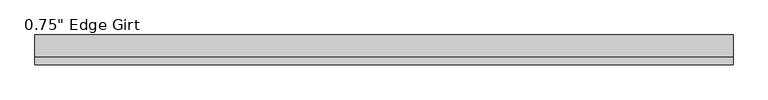
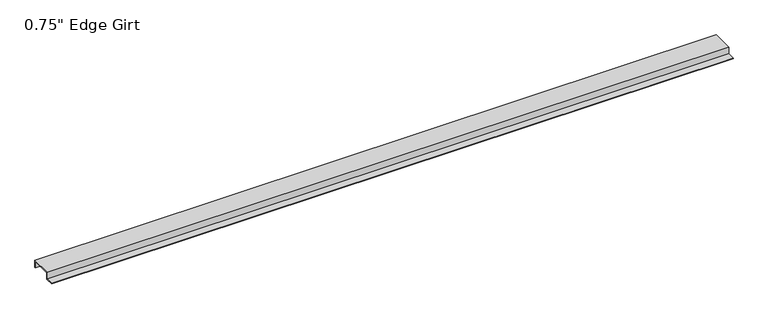
"""IFC4 building model written with IfcOpenShell, lengths in millimetres: proxy geometry."""

from ifc_helpers import new_model, si_unit, frame, origin, place, context, project, spatial, polyline, outline, extrude, source, transform, mapped, element, save


def proxy_c1aaebbd(model_context):
    return source(origin(), model_context, "Body", "SweptSolid", [
        extrude(outline(polyline([(-46.0559645, -17.4375), (-46.0559645, -15.8242), (-27.0129, -15.8242), (-27.0129, 1.6129), (27.0129, 1.6129), (27.0129, -17.4375), (25.4, -17.4375), (25.4, 0.0), (-25.4, 0.0), (-25.4, -17.4375), (-46.0559645, -17.4375)])), frame((0.0, 0.0, 0.0), z_axis=(1.0, 0.0, 0.0), x_axis=(0.0, 1.0, 0.0)), (0.0, 0.0, 1.0), 1707.850178),
    ])


if __name__ == "__main__":
    model = new_model("IFC4")
    model_context = context("Model", 3, world=origin())
    ifc_project = project(units=[si_unit("LENGTHUNIT", "METRE", prefix="MILLI")], contexts=[model_context])
    site = spatial("IfcSite", under=ifc_project)
    building = spatial("IfcBuilding", under=site)
    placement = place(None, origin())
    proxy_shape = proxy_c1aaebbd(model_context)
    element("IfcBuildingElementProxy", 1, Name="0.75\" Edge Girt", ObjectType="0.75\" Edge Girt", at=placement, inside=building, context=model_context, shape_type="MappedRepresentation", body=[
        mapped(proxy_shape, transform((0.0, 0.0, 0.0), x_axis=(1.0, 0.0, 0.0), y_axis=(0.0, 1.0, 0.0), z_axis=(0.0, 0.0, 1.0))),
    ])
    save(model, "model.ifc")
